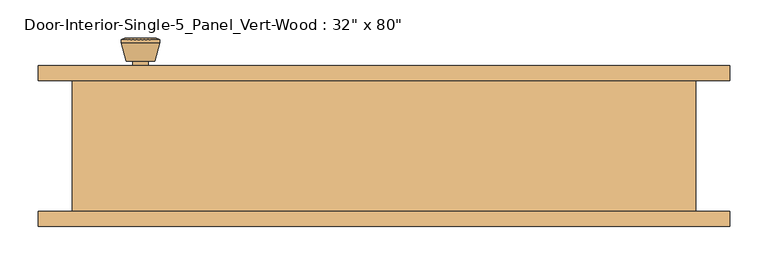
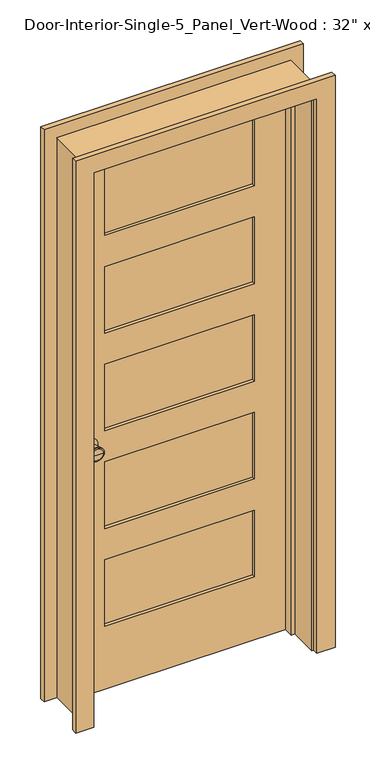
"""IFC4 building model written with IfcOpenShell, lengths in millimetres: door geometry."""

from ifc_helpers import new_model, si_unit, point, frame, frame_2d, origin, place, context, project, spatial, polyline, circle_curve, trimmed, segment, composite_curve, outline, extrude, faceted_brep, source, transform, mapped, element, save
from ifc_brep_helpers import plane_surface, cylinder_surface, revolved_surface, advanced_brep


def door_03945d6d(model_context):
    return source(origin(), model_context, "Body", "SolidModel", [
        advanced_brep(
        [(-317.5, 41.625, 914.4), (-307.5, 41.625, 914.4), (-327.5, 41.625, 914.4), (-297.0241324, -7.375, 914.4), (-317.5, -7.375, 914.4), (-337.9758676, -7.375, 914.4), (-292.5, -5.5471319, 914.4), (-342.5, -5.5471319, 914.4), (-292.5, -2.0834537, 914.4), (-342.5, -2.0834537, 914.4), (-298.863764, 22.625, 914.4), (-336.136236, 22.625, 914.4), (-307.5, 22.625, 914.4), (-327.5, 22.625, 914.4)],
        [
            (0, 1),
            (1, 2, circle_curve(frame((-317.5, 41.625, 914.4), z_axis=(0.0, 1.0, 0.0), x_axis=(-1.0, 0.0, 0.0)), 10.0)),
            (2, 0),
            (2, 1, circle_curve(frame((-317.5, 41.625, 914.4), z_axis=(0.0, 1.0, 0.0), x_axis=(-1.0, 0.0, 0.0)), 10.0)),
            (3, 4),
            (4, 5),
            (5, 3, circle_curve(frame((-317.5, -7.375, 914.4), z_axis=(0.0, -1.0, 0.0), x_axis=(-1.0, 0.0, 0.0)), 20.4758676)),
            (3, 5, circle_curve(frame((-317.5, -7.375, 914.4), z_axis=(0.0, -1.0, 0.0), x_axis=(-1.0, 0.0, 0.0)), 20.4758676)),
            (6, 3),
            (5, 7),
            (7, 6, circle_curve(frame((-317.5, -5.5471319, 914.4), z_axis=(0.0, -1.0, 0.0), x_axis=(-1.0, 0.0, 0.0)), 25.0)),
            (6, 7, circle_curve(frame((-317.5, -5.5471319, 914.4), z_axis=(0.0, -1.0, 0.0), x_axis=(-1.0, 0.0, 0.0)), 25.0)),
            (8, 6),
            (7, 9),
            (9, 8, circle_curve(frame((-317.5, -2.0834537, 914.4), z_axis=(0.0, -1.0, 0.0), x_axis=(-1.0, 0.0, 0.0)), 25.0)),
            (8, 9, circle_curve(frame((-317.5, -2.0834537, 914.4), z_axis=(0.0, -1.0, 0.0), x_axis=(-1.0, 0.0, 0.0)), 25.0)),
            (10, 8),
            (9, 11),
            (11, 10, circle_curve(frame((-317.5, 22.625, 914.4), z_axis=(0.0, -1.0, 0.0), x_axis=(-1.0, 0.0, 0.0)), 18.636236)),
            (10, 11, circle_curve(frame((-317.5, 22.625, 914.4), z_axis=(0.0, -1.0, 0.0), x_axis=(-1.0, 0.0, 0.0)), 18.636236)),
            (12, 10),
            (11, 13),
            (13, 12, circle_curve(frame((-317.5, 22.625, 914.4), z_axis=(0.0, -1.0, 0.0), x_axis=(-1.0, 0.0, 0.0)), 10.0)),
            (12, 13, circle_curve(frame((-317.5, 22.625, 914.4), z_axis=(0.0, -1.0, 0.0), x_axis=(-1.0, 0.0, 0.0)), 10.0)),
            (1, 12),
            (13, 2),
        ],
        [
            plane_surface(frame((-317.5, 41.625, 914.4), z_axis=(0.0, 1.0, 0.0), x_axis=(-1.0, 0.0, 0.0))),
            plane_surface(frame((-317.5, -7.375, 914.4), z_axis=(0.0, -1.0, 0.0), x_axis=(-1.0, 0.0, 0.0))),
            revolved_surface(polyline([(-337.9758676, -7.375, 914.4), (-342.5, -5.5471319, 914.4)]), (-317.5, 41.625, 914.4), (0.0, 1.0, 0.0)),
            cylinder_surface(frame((-317.5, 41.625, 914.4), z_axis=(0.0, 1.0, 0.0), x_axis=(-1.0, 0.0, 0.0)), 25.0),
            revolved_surface(polyline([(-342.5, -2.0834537, 914.4), (-336.136236, 22.625, 914.4)]), (-317.5, 41.625, 914.4), (0.0, 1.0, 0.0)),
            plane_surface(frame((-317.5, 22.625, 914.4), z_axis=(0.0, 1.0, 0.0), x_axis=(-1.0, 0.0, 0.0))),
            cylinder_surface(frame((-317.5, 41.625, 914.4), z_axis=(0.0, 1.0, 0.0), x_axis=(-1.0, 0.0, 0.0)), 10.0),
        ],
        [
            (0, [[1, 2, 3]]),
            (0, [[-3, 4, -1]]),
            (1, [[5, 6, 7]]),
            (1, [[-6, -5, 8]]),
            (2, [[9, -7, 10, 11]]),
            (2, [[-10, -8, -9, 12]]),
            (3, [[13, -11, 14, 15]]),
            (3, [[-14, -12, -13, 16]]),
            (4, [[17, -15, 18, 19]]),
            (4, [[-18, -16, -17, 20]]),
            (5, [[21, -19, 22, 23]]),
            (5, [[-22, -20, -21, 24]]),
            (6, [[25, -23, 26, -2]]),
            (6, [[-26, -24, -25, -4]]),
        ],
    ),
        extrude(outline(composite_curve([segment(trimmed(circle_curve(frame_2d((914.4, -317.5)), 30.0), [point((914.4, -347.5))], [point((914.4, -287.5))], False, "CARTESIAN"), True, "CONTINUOUS"), segment(trimmed(circle_curve(frame_2d((914.4, -317.5)), 30.0), [point((914.4, -287.5))], [point((914.4, -347.5))], False, "CARTESIAN"), True, "CONTINUOUS")], self_intersect=False)), frame((0.0, 41.625, 0.0), z_axis=(0.0, 1.0, 0.0), x_axis=(0.0, 0.0, 1.0)), (0.0, 0.0, 1.0), 6.0),
        advanced_brep(
        [(-317.5, 88.55, 914.4), (-327.5, 88.55, 914.4), (-307.5, 88.55, 914.4), (-297.0241324, 137.55, 914.4), (-337.9758676, 137.55, 914.4), (-317.5, 137.55, 914.4), (-292.5, 135.7221319, 914.4), (-342.5, 135.7221319, 914.4), (-292.5, 132.2584537, 914.4), (-342.5, 132.2584537, 914.4), (-298.863764, 107.55, 914.4), (-336.136236, 107.55, 914.4), (-307.5, 107.55, 914.4), (-327.5, 107.55, 914.4)],
        [
            (0, 1),
            (1, 2, circle_curve(frame((-317.5, 88.55, 914.4), z_axis=(0.0, -1.0, 0.0), x_axis=(-1.0, 0.0, 0.0)), 10.0)),
            (2, 0),
            (2, 1, circle_curve(frame((-317.5, 88.55, 914.4), z_axis=(0.0, -1.0, 0.0), x_axis=(-1.0, 0.0, 0.0)), 10.0)),
            (3, 4, circle_curve(frame((-317.5, 137.55, 914.4), z_axis=(0.0, 1.0, 0.0), x_axis=(-1.0, 0.0, 0.0)), 20.4758676)),
            (4, 5),
            (5, 3),
            (4, 3, circle_curve(frame((-317.5, 137.55, 914.4), z_axis=(0.0, 1.0, 0.0), x_axis=(-1.0, 0.0, 0.0)), 20.4758676)),
            (6, 7, circle_curve(frame((-317.5, 135.7221319, 914.4), z_axis=(0.0, 1.0, 0.0), x_axis=(-1.0, 0.0, 0.0)), 25.0)),
            (7, 4),
            (3, 6),
            (7, 6, circle_curve(frame((-317.5, 135.7221319, 914.4), z_axis=(0.0, 1.0, 0.0), x_axis=(-1.0, 0.0, 0.0)), 25.0)),
            (8, 9, circle_curve(frame((-317.5, 132.2584537, 914.4), z_axis=(0.0, 1.0, 0.0), x_axis=(-1.0, 0.0, 0.0)), 25.0)),
            (9, 7),
            (6, 8),
            (9, 8, circle_curve(frame((-317.5, 132.2584537, 914.4), z_axis=(0.0, 1.0, 0.0), x_axis=(-1.0, 0.0, 0.0)), 25.0)),
            (10, 11, circle_curve(frame((-317.5, 107.55, 914.4), z_axis=(0.0, 1.0, 0.0), x_axis=(-1.0, 0.0, 0.0)), 18.636236)),
            (11, 9),
            (8, 10),
            (11, 10, circle_curve(frame((-317.5, 107.55, 914.4), z_axis=(0.0, 1.0, 0.0), x_axis=(-1.0, 0.0, 0.0)), 18.636236)),
            (12, 13, circle_curve(frame((-317.5, 107.55, 914.4), z_axis=(0.0, 1.0, 0.0), x_axis=(-1.0, 0.0, 0.0)), 10.0)),
            (13, 11),
            (10, 12),
            (13, 12, circle_curve(frame((-317.5, 107.55, 914.4), z_axis=(0.0, 1.0, 0.0), x_axis=(-1.0, 0.0, 0.0)), 10.0)),
            (1, 13),
            (12, 2),
        ],
        [
            plane_surface(frame((-317.5, 88.55, 914.4), z_axis=(0.0, -1.0, 0.0), x_axis=(-1.0, 0.0, 0.0))),
            plane_surface(frame((-317.5, 137.55, 914.4), z_axis=(0.0, 1.0, 0.0), x_axis=(-1.0, 0.0, 0.0))),
            revolved_surface(polyline([(-337.9758676, 137.55, 914.4), (-342.5, 135.7221319, 914.4)]), (-317.5, 88.55, 914.4), (0.0, -1.0, 0.0)),
            cylinder_surface(frame((-317.5, 88.55, 914.4), z_axis=(0.0, -1.0, 0.0), x_axis=(-1.0, 0.0, 0.0)), 25.0),
            revolved_surface(polyline([(-342.5, 132.2584537, 914.4), (-336.136236, 107.55, 914.4)]), (-317.5, 88.55, 914.4), (0.0, -1.0, 0.0)),
            plane_surface(frame((-317.5, 107.55, 914.4), z_axis=(0.0, -1.0, 0.0), x_axis=(-1.0, 0.0, 0.0))),
            cylinder_surface(frame((-317.5, 88.55, 914.4), z_axis=(0.0, -1.0, 0.0), x_axis=(-1.0, 0.0, 0.0)), 10.0),
        ],
        [
            (0, [[1, 2, 3]]),
            (0, [[-3, 4, -1]]),
            (1, [[5, 6, 7]]),
            (1, [[8, -7, -6]]),
            (2, [[9, 10, -5, 11]]),
            (2, [[12, -11, -8, -10]]),
            (3, [[13, 14, -9, 15]]),
            (3, [[16, -15, -12, -14]]),
            (4, [[17, 18, -13, 19]]),
            (4, [[20, -19, -16, -18]]),
            (5, [[21, 22, -17, 23]]),
            (5, [[24, -23, -20, -22]]),
            (6, [[-2, 25, -21, 26]]),
            (6, [[-4, -26, -24, -25]]),
        ],
    ),
        extrude(outline(composite_curve([segment(trimmed(circle_curve(frame_2d((914.4, -317.5)), 30.0), [point((914.4, -347.5))], [point((914.4, -287.5))], False, "CARTESIAN"), True, "CONTINUOUS"), segment(trimmed(circle_curve(frame_2d((914.4, -317.5)), 30.0), [point((914.4, -287.5))], [point((914.4, -347.5))], False, "CARTESIAN"), True, "CONTINUOUS")], self_intersect=False)), frame((0.0, 82.55, 0.0), z_axis=(0.0, 1.0, 0.0), x_axis=(0.0, 0.0, 1.0)), (0.0, 0.0, 1.0), 6.0),
        extrude(outline(polyline([(260.35, 59.2666667), (-260.35, 59.2666667), (-260.35, 70.9083333), (260.35, 70.9083333), (260.35, 59.2666667)])), frame((0.0, 0.0, 1668.145), z_axis=(0.0, 0.0, 1.0), x_axis=(1.0, 0.0, 0.0)), (0.0, 0.0, 1.0), 244.7925),
        extrude(outline(polyline([(260.35, 59.2666667), (-260.35, 59.2666667), (-260.35, 70.9083333), (260.35, 70.9083333), (260.35, 59.2666667)])), frame((0.0, 0.0, 1309.0525), z_axis=(0.0, 0.0, 1.0), x_axis=(1.0, 0.0, 0.0)), (0.0, 0.0, 1.0), 244.7925),
        extrude(outline(polyline([(260.35, 59.2666667), (-260.35, 59.2666667), (-260.35, 70.9083333), (260.35, 70.9083333), (260.35, 59.2666667)])), frame((0.0, 0.0, 590.8675), z_axis=(0.0, 0.0, 1.0), x_axis=(1.0, 0.0, 0.0)), (0.0, 0.0, 1.0), 244.7925),
        extrude(outline(polyline([(260.35, 59.2666667), (-260.35, 59.2666667), (-260.35, 70.9083333), (260.35, 70.9083333), (260.35, 59.2666667)])), frame((0.0, 0.0, 231.775), z_axis=(0.0, 0.0, 1.0), x_axis=(1.0, 0.0, 0.0)), (0.0, 0.0, 1.0), 244.7925),
        extrude(outline(polyline([(260.35, 59.2666667), (-260.35, 59.2666667), (-260.35, 70.9083333), (260.35, 70.9083333), (260.35, 59.2666667)])), frame((0.0, 0.0, 949.96), z_axis=(0.0, 0.0, 1.0), x_axis=(1.0, 0.0, 0.0)), (0.0, 0.0, 1.0), 244.7925),
        extrude(outline(polyline([(2032.0, -381.0), (0.0, -381.0), (0.0, 381.0), (2032.0, 381.0), (2032.0, -381.0)]), holes=[polyline([(1912.9375, -260.35), (1912.9375, 260.35), (1668.145, 260.35), (1668.145, -260.35), (1912.9375, -260.35)]), polyline([(476.5675, -260.35), (476.5675, 260.35), (231.775, 260.35), (231.775, -260.35), (476.5675, -260.35)]), polyline([(1194.7525, -260.35), (1194.7525, 260.35), (949.96, 260.35), (949.96, -260.35), (1194.7525, -260.35)]), polyline([(1553.845, -260.35), (1553.845, 260.35), (1309.0525, 260.35), (1309.0525, -260.35), (1553.845, -260.35)]), polyline([(835.66, -260.35), (835.66, 260.35), (590.8675, 260.35), (590.8675, -260.35), (835.66, -260.35)])]), frame((0.0, 47.625, 0.0), z_axis=(0.0, 1.0, 0.0), x_axis=(0.0, 0.0, 1.0)), (0.0, 0.0, 1.0), 34.925),
        faceted_brep([(406.4, 82.55, 0.0), (406.4, -88.9, 0.0), (381.0, -88.9, 0.0), (381.0, 12.7, 0.0), (368.3, 12.7, 0.0), (368.3, 47.625, 0.0), (381.0, 47.625, 0.0), (381.0, 82.55, 0.0), (406.4, 82.55, 2057.4), (406.4, -88.9, 2057.4), (-406.4, -88.9, 2057.4), (-406.4, -88.9, 0.0), (-381.0, -88.9, 0.0), (-381.0, -88.9, 2032.0), (381.0, -88.9, 2032.0), (381.0, 12.7, 2032.0), (-381.0, 12.7, 2032.0), (-381.0, 12.7, 0.0), (-368.3, 12.7, 0.0), (-368.3, 12.7, 2019.3), (368.3, 12.7, 2019.3), (368.3, 47.625, 2019.3), (-368.3, 47.625, 2019.3), (-368.3, 47.625, 0.0), (-381.0, 47.625, 0.0), (-381.0, 47.625, 2032.0), (381.0, 47.625, 2032.0), (381.0, 82.55, 2032.0), (-381.0, 82.55, 2032.0), (-381.0, 82.55, 0.0), (-406.4, 82.55, 0.0), (-406.4, 82.55, 2057.4)], [[[0, 1, 2, 3, 4, 5, 6, 7]], [[1, 0, 8, 9]], [[2, 1, 9, 10, 11, 12, 13, 14]], [[3, 2, 14, 15]], [[4, 3, 15, 16, 17, 18, 19, 20]], [[5, 4, 20, 21]], [[6, 5, 21, 22, 23, 24, 25, 26]], [[7, 6, 26, 27]], [[0, 7, 27, 28, 29, 30, 31, 8]], [[9, 8, 31, 10]], [[15, 14, 13, 16]], [[21, 20, 19, 22]], [[27, 26, 25, 28]], [[30, 29, 24, 23, 18, 17, 12, 11]], [[10, 31, 30, 11]], [[16, 13, 12, 17]], [[22, 19, 18, 23]], [[28, 25, 24, 29]]]),
        extrude(outline(polyline([(0.0, 387.35), (0.0, 450.85), (2101.85, 450.85), (2101.85, -450.85), (0.0, -450.85), (0.0, -387.35), (2038.35, -387.35), (2038.35, 387.35), (0.0, 387.35)])), frame((0.0, -107.95, 0.0), z_axis=(0.0, 1.0, 0.0), x_axis=(0.0, 0.0, 1.0)), (0.0, 0.0, 1.0), 19.05),
        extrude(outline(polyline([(0.0, 387.35), (0.0, 450.85), (2101.85, 450.85), (2101.85, -450.85), (0.0, -450.85), (0.0, -387.35), (2038.35, -387.35), (2038.35, 387.35), (0.0, 387.35)])), frame((0.0, 82.55, 0.0), z_axis=(0.0, 1.0, 0.0), x_axis=(0.0, 0.0, 1.0)), (0.0, 0.0, 1.0), 19.05),
    ])


if __name__ == "__main__":
    model = new_model("IFC4")
    model_context = context("Model", 3, world=origin())
    ifc_project = project(units=[si_unit("LENGTHUNIT", "METRE", prefix="MILLI")], contexts=[model_context])
    site = spatial("IfcSite", under=ifc_project)
    building = spatial("IfcBuilding", under=site)
    placement = place(None, origin())
    door_shape = door_03945d6d(model_context)
    element("IfcDoor", 1, ObjectType="Door-Interior-Single-5_Panel_Vert-Wood : 32\" x 80\"", at=placement, inside=building, context=model_context, shape_type="MappedRepresentation", body=[
        mapped(door_shape, transform((0.0, 0.0, 0.0), x_axis=(1.0, 0.0, 0.0), y_axis=(0.0, 1.0, 0.0), z_axis=(0.0, 0.0, 1.0))),
    ])
    save(model, "model.ifc")
